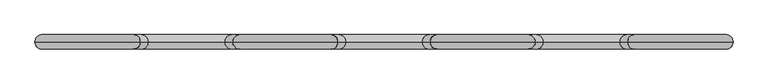
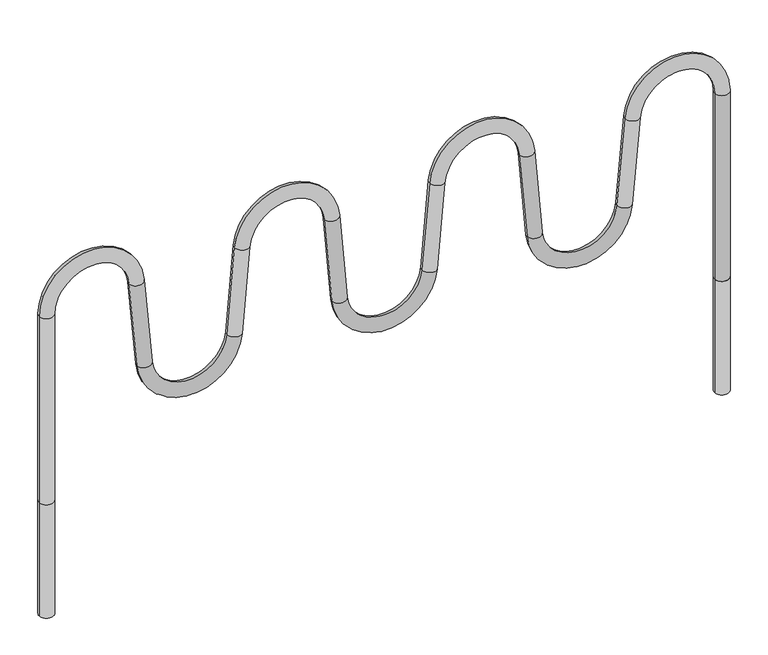
"""IFC4 building model written with IfcOpenShell, lengths in millimetres: furniture geometry."""

from ifc_helpers import new_model, si_unit, point, frame, frame_2d, origin, place, context, project, spatial, circle_curve, ellipse_curve, trimmed, segment, composite_curve, outline, extrude, source, transform, mapped, element, save
from ifc_brep_helpers import plane_surface, cylinder_surface, revolved_surface, advanced_brep


def furniture_a510263a(model_context):
    return source(origin(), model_context, "Body", "SolidModel", [
        advanced_brep(
        [(-1149.3288789, 0.0, 0.0), (-1101.3288789, 0.0, 0.0), (-1149.3288789, 0.0, 655.5150113), (-1101.3288789, 0.0, 655.5150113), (-849.7766149, 0.0, 666.4980203), (-801.9592694, 0.0, 670.681496), (-775.9462025, 0.0, 373.3507809), (-823.763548, 0.0, 369.1673052), (-476.5533739, 0.0, 369.1673052), (-524.3707194, 0.0, 373.3507809), (-498.3676201, 0.0, 670.5675661), (-450.5502746, 0.0, 666.3840905), (1149.3288789, 0.0, 0.0), (1101.3288789, 0.0, 0.0), (-199.4497254, 0.0, 666.3840905), (-151.6323799, 0.0, 670.5675661), (-125.6154465, 0.0, 373.1926559), (-173.432792, 0.0, 369.0091802), (173.432792, 0.0, 369.0091802), (125.6154465, 0.0, 373.1926559), (151.6323799, 0.0, 670.5675661), (199.4497254, 0.0, 666.3840905), (450.5502746, 0.0, 666.3840905), (498.3676201, 0.0, 670.5675661), (524.3707194, 0.0, 373.3507809), (476.5533739, 0.0, 369.1673052), (823.763548, 0.0, 369.1673052), (775.9462025, 0.0, 373.3507809), (801.9592694, 0.0, 670.681496), (849.7766149, 0.0, 666.4980203), (1101.3288789, 0.0, 655.5150113), (1149.3288789, 0.0, 655.5150113)],
        [
            (0, 1, circle_curve(frame((-1125.3288789, 0.0, 0.0), z_axis=(0.0, 0.0, -1.0), x_axis=(1.0, 0.0, 0.0)), 24.0)),
            (1, 0, circle_curve(frame((-1125.3288789, 0.0, 0.0), z_axis=(0.0, 0.0, -1.0), x_axis=(1.0, 0.0, 0.0)), 24.0)),
            (0, 2),
            (2, 3, circle_curve(frame((-1125.3288789, 0.0, 655.5150113), z_axis=(0.0, 0.0, -1.0), x_axis=(1.0, 0.0, 0.0)), 24.0)),
            (3, 1),
            (3, 2, circle_curve(frame((-1125.3288789, 0.0, 655.5150113), z_axis=(0.0, 0.0, -1.0), x_axis=(1.0, 0.0, 0.0)), 24.0)),
            (4, 3, circle_curve(frame((-975.3129826, 0.0, 655.5150113), z_axis=(0.0, -1.0, 0.0), x_axis=(-1.0, 0.0, 0.0)), 126.0158963)),
            (2, 5, circle_curve(frame((-975.3129826, 0.0, 655.5150113), z_axis=(0.0, 1.0, 0.0), x_axis=(-1.0, 0.0, 0.0)), 174.0158963)),
            (5, 4, circle_curve(frame((-825.8679421, 0.0, 668.5897581), z_axis=(-0.0871557427476623, 0.0, 0.9961946980917452), x_axis=(-0.9961946980917452, 0.0, -0.0871557427476623)), 24.0)),
            (4, 5, circle_curve(frame((-825.8679421, 0.0, 668.5897581), z_axis=(-0.08715574274766186, 0.0, 0.9961946980917452), x_axis=(-0.9961946980917452, 0.0, -0.08715574274766186)), 24.0)),
            (5, 6),
            (6, 7, circle_curve(frame((-799.8548753, 0.0, 371.2590431), z_axis=(-0.0871557427476564, 0.0, 0.9961946980917457), x_axis=(-0.9961946980917457, 0.0, -0.0871557427476564)), 24.0)),
            (7, 4),
            (7, 6, circle_curve(frame((-799.8548753, 0.0, 371.2590431), z_axis=(-0.0871557427476564, 0.0, 0.9961946980917457), x_axis=(-0.9961946980917457, 0.0, -0.0871557427476564)), 24.0)),
            (8, 7, circle_curve(frame((-650.1584609, 0.0, 384.3557823), z_axis=(0.0, 1.0, 0.0), x_axis=(-0.9961946980917463, 0.0, -0.0871557427476491)), 174.2682303)),
            (6, 9, circle_curve(frame((-650.1584609, 0.0, 384.3557823), z_axis=(0.0, -1.0, 0.0), x_axis=(-0.9961946980917463, 0.0, -0.0871557427476491)), 126.2682303)),
            (9, 8, circle_curve(frame((-500.4620466, 0.0, 371.2590431), z_axis=(-0.08715574274765395, 0.0, -0.9961946980917459), x_axis=(0.9961946980917459, 0.0, -0.08715574274765395)), 24.0)),
            (8, 9, circle_curve(frame((-500.4620466, 0.0, 371.2590431), z_axis=(-0.08715574274765571, 0.0, -0.9961946980917458), x_axis=(0.9961946980917458, 0.0, -0.08715574274765571)), 24.0)),
            (9, 10),
            (10, 11, circle_curve(frame((-474.4589473, 0.0, 668.4758283), z_axis=(-0.08715574274765646, 0.0, -0.9961946980917457), x_axis=(0.9961946980917457, 0.0, -0.08715574274765646)), 24.0)),
            (11, 8),
            (11, 10, circle_curve(frame((-474.4589473, 0.0, 668.4758283), z_axis=(-0.08715574274765646, 0.0, -0.9961946980917457), x_axis=(0.9961946980917457, 0.0, -0.08715574274765646)), 24.0)),
            (12, 13, circle_curve(frame((1125.3288789, 0.0, 0.0), z_axis=(0.0, 0.0, -1.0), x_axis=(-1.0, 0.0, 0.0)), 24.0)),
            (13, 12, circle_curve(frame((1125.3288789, 0.0, 0.0), z_axis=(0.0, 0.0, -1.0), x_axis=(-1.0, 0.0, 0.0)), 24.0)),
            (14, 11, circle_curve(frame((-325.0, 0.0, 655.3998647), z_axis=(0.0, -1.0, 0.0), x_axis=(-0.9961946980917462, 0.0, 0.08715574274764999)), 126.0298562)),
            (10, 15, circle_curve(frame((-325.0, 0.0, 655.3998647), z_axis=(0.0, 1.0, 0.0), x_axis=(-0.9961946980917462, 0.0, 0.08715574274764999)), 174.0298562)),
            (15, 14, circle_curve(frame((-175.5410527, 0.0, 668.4758283), z_axis=(-0.08715574274766358, 0.0, 0.9961946980917451), x_axis=(-0.9961946980917451, 0.0, -0.08715574274766358)), 24.0)),
            (14, 15, circle_curve(frame((-175.5410527, 0.0, 668.4758283), z_axis=(-0.08715574274766313, 0.0, 0.996194698091745), x_axis=(-0.996194698091745, 0.0, -0.08715574274766313)), 24.0)),
            (15, 16),
            (16, 17, circle_curve(frame((-149.5241192, 0.0, 371.1009181), z_axis=(-0.08715574274765636, 0.0, 0.9961946980917458), x_axis=(-0.9961946980917458, 0.0, -0.08715574274765636)), 24.0)),
            (17, 14),
            (17, 16, circle_curve(frame((-149.5241192, 0.0, 371.1009181), z_axis=(-0.08715574274765636, 0.0, 0.9961946980917458), x_axis=(-0.9961946980917458, 0.0, -0.08715574274765636)), 24.0)),
            (18, 17, circle_curve(frame((0.0, 0.0, 384.1825834), z_axis=(0.0, 1.0, 0.0), x_axis=(-0.9961946980917463, 0.0, -0.08715574274764955)), 174.0952771)),
            (16, 19, circle_curve(frame((0.0, 0.0, 384.1825834), z_axis=(0.0, -1.0, 0.0), x_axis=(-0.9961946980917463, 0.0, -0.08715574274764955)), 126.0952771)),
            (19, 18, circle_curve(frame((149.5241192, 0.0, 371.1009181), z_axis=(-0.0871557427476637, 0.0, -0.9961946980917451), x_axis=(0.9961946980917451, 0.0, -0.0871557427476637)), 24.0)),
            (18, 19, circle_curve(frame((149.5241192, 0.0, 371.1009181), z_axis=(-0.08715574274766283, 0.0, -0.9961946980917452), x_axis=(0.9961946980917452, 0.0, -0.08715574274766283)), 24.0)),
            (19, 20),
            (20, 21, circle_curve(frame((175.5410527, 0.0, 668.4758283), z_axis=(-0.0871557427476565, 0.0, -0.9961946980917458), x_axis=(0.9961946980917458, 0.0, -0.0871557427476565)), 24.0)),
            (21, 18),
            (21, 20, circle_curve(frame((175.5410527, 0.0, 668.4758283), z_axis=(-0.0871557427476565, 0.0, -0.9961946980917458), x_axis=(0.9961946980917458, 0.0, -0.0871557427476565)), 24.0)),
            (22, 21, circle_curve(frame((325.0, 0.0, 655.3998647), z_axis=(0.0, -1.0, 0.0), x_axis=(-0.9961946980917457, 0.0, 0.0871557427476563)), 126.0298562)),
            (20, 23, circle_curve(frame((325.0, 0.0, 655.3998647), z_axis=(0.0, 1.0, 0.0), x_axis=(-0.9961946980917457, 0.0, 0.0871557427476563)), 174.0298562)),
            (23, 22, circle_curve(frame((474.4589473, 0.0, 668.4758283), z_axis=(-0.08715574274765238, 0.0, 0.996194698091746), x_axis=(-0.996194698091746, 0.0, -0.08715574274765238)), 24.0)),
            (22, 23, circle_curve(frame((474.4589473, 0.0, 668.4758283), z_axis=(-0.08715574274765146, 0.0, 0.9961946980917461), x_axis=(-0.9961946980917461, 0.0, -0.08715574274765146)), 24.0)),
            (23, 24),
            (24, 25, circle_curve(frame((500.4620466, 0.0, 371.2590431), z_axis=(-0.08715574274765633, 0.0, 0.9961946980917458), x_axis=(-0.9961946980917458, 0.0, -0.08715574274765633)), 24.0)),
            (25, 22),
            (25, 24, circle_curve(frame((500.4620466, 0.0, 371.2590431), z_axis=(-0.08715574274765633, 0.0, 0.9961946980917458), x_axis=(-0.9961946980917458, 0.0, -0.08715574274765633)), 24.0)),
            (26, 25, circle_curve(frame((650.1584609, 0.0, 384.3557823), z_axis=(0.0, 1.0, 0.0), x_axis=(-0.9961946980917457, 0.0, -0.08715574274765649)), 174.2682303)),
            (24, 27, circle_curve(frame((650.1584609, 0.0, 384.3557823), z_axis=(0.0, -1.0, 0.0), x_axis=(-0.9961946980917457, 0.0, -0.08715574274765649)), 126.2682303)),
            (27, 26, circle_curve(frame((799.8548753, 0.0, 371.2590431), z_axis=(-0.08715574274765679, 0.0, -0.9961946980917457), x_axis=(0.9961946980917457, 0.0, -0.08715574274765679)), 24.0)),
            (26, 27, circle_curve(frame((799.8548753, 0.0, 371.2590431), z_axis=(-0.08715574274765636, 0.0, -0.9961946980917457), x_axis=(0.9961946980917457, 0.0, -0.08715574274765636)), 24.0)),
            (27, 28),
            (28, 29, circle_curve(frame((825.8679421, 0.0, 668.5897581), z_axis=(-0.08715574274765654, 0.0, -0.9961946980917458), x_axis=(0.9961946980917458, 0.0, -0.08715574274765654)), 24.0)),
            (29, 26),
            (29, 28, circle_curve(frame((825.8679421, 0.0, 668.5897581), z_axis=(-0.08715574274765654, 0.0, -0.9961946980917458), x_axis=(0.9961946980917458, 0.0, -0.08715574274765654)), 24.0)),
            (30, 29, circle_curve(frame((975.3129826, 0.0, 655.5150113), z_axis=(0.0, -1.0, 0.0), x_axis=(-0.9961946980917457, 0.0, 0.0871557427476563)), 126.0158963)),
            (28, 31, circle_curve(frame((975.3129826, 0.0, 655.5150113), z_axis=(0.0, 1.0, 0.0), x_axis=(-0.9961946980917457, 0.0, 0.0871557427476563)), 174.0158963)),
            (31, 30, circle_curve(frame((1125.3288789, 0.0, 655.5150113), z_axis=(0.0, 0.0, 1.0), x_axis=(-1.0, 0.0, 0.0)), 24.0)),
            (30, 31, circle_curve(frame((1125.3288789, 0.0, 655.5150113), z_axis=(0.0, 0.0, 1.0), x_axis=(-1.0, 0.0, 0.0)), 24.0)),
            (31, 12),
            (13, 30),
        ],
        [
            plane_surface(frame((-1101.3288789, 0.0, 0.0), z_axis=(0.0, 0.0, -1.0), x_axis=(0.0, -1.0, 0.0))),
            cylinder_surface(frame((-1125.3288789, 0.0, 0.0), z_axis=(0.0, 0.0, -1.0), x_axis=(1.0, 0.0, 0.0)), 24.0),
            revolved_surface(trimmed(ellipse_curve(frame((-1125.3288789, 0.0, 655.5150113), z_axis=(0.0, 0.0, -1.0), x_axis=(1.0, 0.0, 0.0)), 24.0, 24.0), [point((-1149.3288789, 0.0, 655.5150113))], [point((-1101.3288789, 0.0, 655.5150113))], True, "CARTESIAN"), (-975.3129826, 0.0, 655.5150113), (0.0, 1.0, 0.0)),
            revolved_surface(trimmed(ellipse_curve(frame((-1125.3288789, 0.0, 655.5150113), z_axis=(0.0, 0.0, -1.0), x_axis=(1.0, 0.0, 0.0)), 24.0, 24.0), [point((-1101.3288789, 0.0, 655.5150113))], [point((-1149.3288789, 0.0, 655.5150113))], True, "CARTESIAN"), (-975.3129826, 0.0, 655.5150113), (0.0, 1.0, 0.0)),
            cylinder_surface(frame((-825.8679421, 0.0, 668.5897581), z_axis=(-0.0871557427476564, 0.0, 0.9961946980917457), x_axis=(-0.9961946980917457, 0.0, -0.0871557427476564)), 24.0),
            revolved_surface(trimmed(ellipse_curve(frame((-799.8548753, 0.0, 371.2590431), z_axis=(-0.08715574274764905, 0.0, 0.9961946980917463), x_axis=(-0.9961946980917463, 0.0, -0.08715574274764905)), 24.0, 24.0), [point((-775.9462025, 0.0, 373.3507809))], [point((-823.763548, 0.0, 369.1673052))], True, "CARTESIAN"), (-650.1584609, 0.0, 384.3557823), (0.0, -1.0, 0.0)),
            revolved_surface(trimmed(ellipse_curve(frame((-799.8548753, 0.0, 371.2590431), z_axis=(-0.08715574274764905, 0.0, 0.9961946980917463), x_axis=(-0.9961946980917463, 0.0, -0.08715574274764905)), 24.0, 24.0), [point((-823.763548, 0.0, 369.1673052))], [point((-775.9462025, 0.0, 373.3507809))], True, "CARTESIAN"), (-650.1584609, 0.0, 384.3557823), (0.0, -1.0, 0.0)),
            cylinder_surface(frame((-500.4620466, 0.0, 371.2590431), z_axis=(-0.08715574274765646, 0.0, -0.9961946980917457), x_axis=(0.9961946980917457, 0.0, -0.08715574274765646)), 24.0),
            plane_surface(frame((1101.3288789, 0.0, 0.0), z_axis=(0.0, 0.0, -1.0), x_axis=(0.0, -1.0, 0.0))),
            revolved_surface(trimmed(ellipse_curve(frame((-474.4589473, 0.0, 668.4758283), z_axis=(-0.08715574274765002, 0.0, -0.9961946980917462), x_axis=(0.9961946980917462, 0.0, -0.08715574274765002)), 24.0, 24.0), [point((-498.3676201, 0.0, 670.5675661))], [point((-450.5502746, 0.0, 666.3840905))], True, "CARTESIAN"), (-325.0, 0.0, 655.3998647), (0.0, 1.0, 0.0)),
            revolved_surface(trimmed(ellipse_curve(frame((-474.4589473, 0.0, 668.4758283), z_axis=(-0.08715574274765002, 0.0, -0.9961946980917462), x_axis=(0.9961946980917462, 0.0, -0.08715574274765002)), 24.0, 24.0), [point((-450.5502746, 0.0, 666.3840905))], [point((-498.3676201, 0.0, 670.5675661))], True, "CARTESIAN"), (-325.0, 0.0, 655.3998647), (0.0, 1.0, 0.0)),
            cylinder_surface(frame((-175.5410527, 0.0, 668.4758283), z_axis=(-0.08715574274765636, 0.0, 0.9961946980917458), x_axis=(-0.9961946980917458, 0.0, -0.08715574274765636)), 24.0),
            revolved_surface(trimmed(ellipse_curve(frame((-149.5241192, 0.0, 371.1009181), z_axis=(-0.08715574274764945, 0.0, 0.9961946980917463), x_axis=(-0.9961946980917463, 0.0, -0.08715574274764945)), 24.0, 24.0), [point((-125.6154465, 0.0, 373.1926559))], [point((-173.432792, 0.0, 369.0091802))], True, "CARTESIAN"), (0.0, 0.0, 384.1825834), (0.0, -1.0, 0.0)),
            revolved_surface(trimmed(ellipse_curve(frame((-149.5241192, 0.0, 371.1009181), z_axis=(-0.08715574274764945, 0.0, 0.9961946980917463), x_axis=(-0.9961946980917463, 0.0, -0.08715574274764945)), 24.0, 24.0), [point((-173.432792, 0.0, 369.0091802))], [point((-125.6154465, 0.0, 373.1926559))], True, "CARTESIAN"), (0.0, 0.0, 384.1825834), (0.0, -1.0, 0.0)),
            cylinder_surface(frame((149.5241192, 0.0, 371.1009181), z_axis=(-0.0871557427476565, 0.0, -0.9961946980917458), x_axis=(0.9961946980917458, 0.0, -0.0871557427476565)), 24.0),
            revolved_surface(trimmed(ellipse_curve(frame((175.5410527, 0.0, 668.4758283), z_axis=(-0.08715574274765636, 0.0, -0.9961946980917457), x_axis=(0.9961946980917457, 0.0, -0.08715574274765636)), 24.0, 24.0), [point((151.6323799, 0.0, 670.5675661))], [point((199.4497254, 0.0, 666.3840905))], True, "CARTESIAN"), (325.0, 0.0, 655.3998647), (0.0, 1.0, 0.0)),
            revolved_surface(trimmed(ellipse_curve(frame((175.5410527, 0.0, 668.4758283), z_axis=(-0.08715574274765636, 0.0, -0.9961946980917457), x_axis=(0.9961946980917457, 0.0, -0.08715574274765636)), 24.0, 24.0), [point((199.4497254, 0.0, 666.3840905))], [point((151.6323799, 0.0, 670.5675661))], True, "CARTESIAN"), (325.0, 0.0, 655.3998647), (0.0, 1.0, 0.0)),
            cylinder_surface(frame((474.4589473, 0.0, 668.4758283), z_axis=(-0.08715574274765633, 0.0, 0.9961946980917458), x_axis=(-0.9961946980917458, 0.0, -0.08715574274765633)), 24.0),
            revolved_surface(trimmed(ellipse_curve(frame((500.4620466, 0.0, 371.2590431), z_axis=(-0.08715574274765638, 0.0, 0.9961946980917457), x_axis=(-0.9961946980917457, 0.0, -0.08715574274765638)), 24.0, 24.0), [point((524.3707194, 0.0, 373.3507809))], [point((476.5533739, 0.0, 369.1673052))], True, "CARTESIAN"), (650.1584609, 0.0, 384.3557823), (0.0, -1.0, 0.0)),
            revolved_surface(trimmed(ellipse_curve(frame((500.4620466, 0.0, 371.2590431), z_axis=(-0.08715574274765638, 0.0, 0.9961946980917457), x_axis=(-0.9961946980917457, 0.0, -0.08715574274765638)), 24.0, 24.0), [point((476.5533739, 0.0, 369.1673052))], [point((524.3707194, 0.0, 373.3507809))], True, "CARTESIAN"), (650.1584609, 0.0, 384.3557823), (0.0, -1.0, 0.0)),
            cylinder_surface(frame((799.8548753, 0.0, 371.2590431), z_axis=(-0.08715574274765654, 0.0, -0.9961946980917458), x_axis=(0.9961946980917458, 0.0, -0.08715574274765654)), 24.0),
            revolved_surface(trimmed(ellipse_curve(frame((825.8679421, 0.0, 668.5897581), z_axis=(-0.0871557427476564, 0.0, -0.9961946980917457), x_axis=(0.9961946980917457, 0.0, -0.0871557427476564)), 24.0, 24.0), [point((801.9592694, 0.0, 670.681496))], [point((849.7766149, 0.0, 666.4980203))], True, "CARTESIAN"), (975.3129826, 0.0, 655.5150113), (0.0, 1.0, 0.0)),
            revolved_surface(trimmed(ellipse_curve(frame((825.8679421, 0.0, 668.5897581), z_axis=(-0.0871557427476564, 0.0, -0.9961946980917457), x_axis=(0.9961946980917457, 0.0, -0.0871557427476564)), 24.0, 24.0), [point((849.7766149, 0.0, 666.4980203))], [point((801.9592694, 0.0, 670.681496))], True, "CARTESIAN"), (975.3129826, 0.0, 655.5150113), (0.0, 1.0, 0.0)),
            cylinder_surface(frame((1125.3288789, 0.0, 655.5150113), z_axis=(0.0, 0.0, 1.0), x_axis=(-1.0, 0.0, 0.0)), 24.0),
        ],
        [
            (0, [[1, 2]]),
            (1, [[-1, 3, 4, 5]]),
            (1, [[-2, -5, 6, -3]]),
            (2, [[7, -4, 8, 9]]),
            (3, [[-8, -6, -7, 10]]),
            (4, [[-9, 11, 12, 13]]),
            (4, [[-10, -13, 14, -11]]),
            (5, [[15, -12, 16, 17]]),
            (6, [[-16, -14, -15, 18]]),
            (7, [[-17, 19, 20, 21]]),
            (7, [[-18, -21, 22, -19]]),
            (8, [[23, 24]]),
            (9, [[25, -20, 26, 27]]),
            (10, [[-26, -22, -25, 28]]),
            (11, [[-27, 29, 30, 31]]),
            (11, [[-28, -31, 32, -29]]),
            (12, [[33, -30, 34, 35]]),
            (13, [[-34, -32, -33, 36]]),
            (14, [[-35, 37, 38, 39]]),
            (14, [[-36, -39, 40, -37]]),
            (15, [[41, -38, 42, 43]]),
            (16, [[-42, -40, -41, 44]]),
            (17, [[-43, 45, 46, 47]]),
            (17, [[-44, -47, 48, -45]]),
            (18, [[49, -46, 50, 51]]),
            (19, [[-50, -48, -49, 52]]),
            (20, [[-51, 53, 54, 55]]),
            (20, [[-52, -55, 56, -53]]),
            (21, [[57, -54, 58, 59]]),
            (22, [[-58, -56, -57, 60]]),
            (23, [[-59, 61, -24, 62]]),
            (23, [[-60, -62, -23, -61]]),
        ],
    ),
        extrude(outline(composite_curve([segment(trimmed(circle_curve(frame_2d((1125.3288789, 0.0)), 24.0), [point((1149.3288789, 0.0))], [point((1101.3288789, 0.0))], False, "CARTESIAN"), True, "CONTINUOUS"), segment(trimmed(circle_curve(frame_2d((1125.3288789, 0.0)), 24.0), [point((1101.3288789, 0.0))], [point((1149.3288789, 0.0))], False, "CARTESIAN"), True, "CONTINUOUS")], self_intersect=False)), frame((0.0, 0.0, -400.0), z_axis=(0.0, 0.0, 1.0), x_axis=(1.0, 0.0, 0.0)), (0.0, 0.0, 1.0), 400.0),
        extrude(outline(composite_curve([segment(trimmed(circle_curve(frame_2d((-1125.3288789, 0.0)), 24.0), [point((-1149.3288789, 0.0))], [point((-1101.3288789, 0.0))], False, "CARTESIAN"), True, "CONTINUOUS"), segment(trimmed(circle_curve(frame_2d((-1125.3288789, 0.0)), 24.0), [point((-1101.3288789, 0.0))], [point((-1149.3288789, 0.0))], False, "CARTESIAN"), True, "CONTINUOUS")], self_intersect=False)), frame((0.0, 0.0, -400.0), z_axis=(0.0, 0.0, 1.0), x_axis=(1.0, 0.0, 0.0)), (0.0, 0.0, 1.0), 400.0),
    ])


if __name__ == "__main__":
    model = new_model("IFC4")
    model_context = context("Model", 3, world=origin())
    ifc_project = project(units=[si_unit("LENGTHUNIT", "METRE", prefix="MILLI")], contexts=[model_context])
    site = spatial("IfcSite", under=ifc_project)
    building = spatial("IfcBuilding", under=site)
    placement = place(None, origin())
    furniture_shape = furniture_a510263a(model_context)
    element("IfcFurniture", 1, at=placement, inside=building, context=model_context, shape_type="MappedRepresentation", body=[
        mapped(furniture_shape, transform((0.0, 0.0, 0.0), x_axis=(1.0, 0.0, 0.0), y_axis=(0.0, 1.0, 0.0), z_axis=(0.0, 0.0, 1.0))),
    ])
    save(model, "model.ifc")
